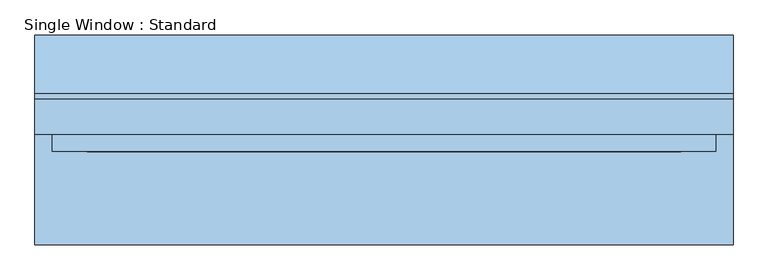
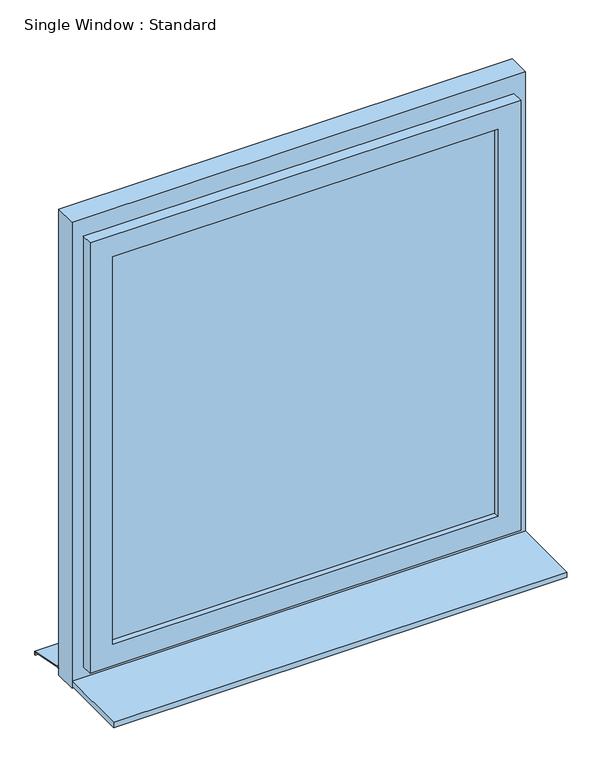
"""IFC4 building model written with IfcOpenShell, lengths in millimetres: window geometry, Single Window : Standard."""

from ifc_helpers import new_model, si_unit, frame, origin, place, context, project, spatial, polyline, outline, extrude, faceted_brep, source, transform, mapped, element, save


def single_window_standard_d1004b6b(model_context):
    return source(origin(), model_context, "Body", "SolidModel", [
        extrude(outline(polyline([(508.8718382, -5.0), (-508.8718382, -5.0), (-508.8718382, 25.0), (508.8718382, 25.0), (508.8718382, -5.0)])), frame((0.0, 0.0, 1110.0), z_axis=(0.0, 0.0, 1.0), x_axis=(1.0, 0.0, 0.0)), (0.0, 0.0, 1.0), 1080.8618056),
        faceted_brep([(568.8718382, 10.0, 2250.8618056), (568.8718382, -20.0, 2250.8618056), (568.8718382, -20.0, 1050.0), (568.8718382, 10.0, 1050.0), (538.8718382, 40.0, 2220.8618056), (538.8718382, 10.0, 2220.8618056), (538.8718382, 10.0, 1080.0), (538.8718382, 40.0, 1080.0), (508.8718382, -20.0, 2190.8618056), (508.8718382, 40.0, 2190.8618056), (508.8718382, 40.0, 1110.0), (508.8718382, -20.0, 1110.0), (-568.8718382, -20.0, 1050.0), (-568.8718382, 10.0, 1050.0), (-538.8718382, 10.0, 1080.0), (-538.8718382, 40.0, 1080.0), (-508.8718382, 40.0, 1110.0), (-508.8718382, -20.0, 1110.0), (-568.8718382, -20.0, 2250.8618056), (-568.8718382, 10.0, 2250.8618056), (-538.8718382, 10.0, 2220.8618056), (-538.8718382, 40.0, 2220.8618056), (-508.8718382, 40.0, 2190.8618056), (-508.8718382, -20.0, 2190.8618056)], [[[0, 1, 2, 3]], [[4, 5, 6, 7]], [[8, 9, 10, 11]], [[3, 2, 12, 13]], [[7, 6, 14, 15]], [[11, 10, 16, 17]], [[13, 12, 18, 19]], [[15, 14, 20, 21]], [[17, 16, 22, 23]], [[19, 18, 1, 0]], [[3, 13, 19, 0], [5, 20, 14, 6]], [[21, 20, 5, 4]], [[7, 15, 21, 4], [9, 22, 16, 10]], [[23, 22, 9, 8]], [[1, 18, 12, 2], [11, 17, 23, 8]]]),
        extrude(outline(polyline([(2300.8618056, 598.8718382), (2300.8618056, -598.8718382), (1000.0, -598.8718382), (1000.0, 598.8718382), (2300.8618056, 598.8718382)]), holes=[polyline([(2220.8618056, 538.8718382), (1080.0, 538.8718382), (1080.0, -538.8718382), (2220.8618056, -538.8718382), (2220.8618056, 538.8718382)])]), frame((0.0, 10.0, 0.0), z_axis=(0.0, 1.0, 0.0), x_axis=(0.0, 0.0, 1.0)), (0.0, 0.0, 1.0), 60.0),
        extrude(outline(polyline([(80.0221543, 1020.0), (180.0, 1000.0), (180.0, 990.0), (178.0, 990.0), (178.0, 998.3604634), (79.8240723, 1018.0), (70.0, 1018.0), (70.0, 1020.0), (80.0221543, 1020.0)])), frame((-598.8718382, 0.0, 0.0), z_axis=(1.0, 0.0, 0.0), x_axis=(0.0, 1.0, 0.0)), (0.0, 0.0, 1.0), 1197.7436764),
        extrude(outline(polyline([(-598.8718382, -180.0), (-598.8718382, 10.0), (598.8718382, 10.0), (598.8718382, -180.0), (-598.8718382, -180.0)])), frame((0.0, 0.0, 1005.0), z_axis=(0.0, 0.0, 1.0), x_axis=(1.0, 0.0, 0.0)), (0.0, 0.0, 1.0), 15.0),
    ])


if __name__ == "__main__":
    model = new_model("IFC4")
    model_context = context("Model", 3, world=origin())
    ifc_project = project(units=[si_unit("LENGTHUNIT", "METRE", prefix="MILLI")], contexts=[model_context])
    site = spatial("IfcSite", under=ifc_project)
    building = spatial("IfcBuilding", under=site)
    placement = place(None, origin())
    single_window_standard_shape = single_window_standard_d1004b6b(model_context)
    element("IfcWindow", 1, ObjectType="Single Window : Standard", at=placement, inside=building, context=model_context, shape_type="MappedRepresentation", body=[
        mapped(single_window_standard_shape, transform((0.0, 0.0, 0.0), x_axis=(1.0, 0.0, 0.0), y_axis=(0.0, 1.0, 0.0), z_axis=(0.0, 0.0, 1.0))),
    ])
    save(model, "model.ifc")
